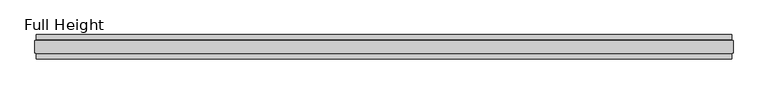
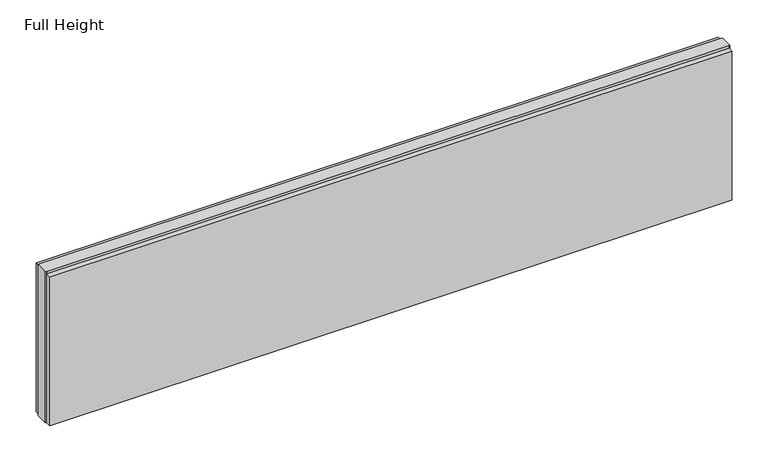
"""IFC4 building model written with IfcOpenShell, lengths in millimetres: plate geometry, Full Height."""

from ifc_helpers import new_model, si_unit, origin, origin_with_axes, place, context, project, spatial, polyline, outline, extrude, source, transform, mapped, element, save


def full_height_50aecd55(model_context):
    return source(origin(), model_context, "Body", "SweptSolid", [
        extrude(outline(polyline([(1409.8875405, 28.956), (-1409.8875405, 28.956), (-1409.8875405, 49.53), (1409.8875405, 49.53), (1409.8875405, 28.956)])), origin_with_axes(), (0.0, 0.0, 1.0), 651.256),
        extrude(outline(polyline([(1409.8875405, -28.956), (1409.8875405, -49.53), (-1409.8875405, -49.53), (-1409.8875405, -28.956), (1409.8875405, -28.956)])), origin_with_axes(), (0.0, 0.0, 1.0), 651.256),
        extrude(outline(polyline([(1409.8875405, -25.146), (1409.8875405, -26.67), (-1409.8875405, -26.67), (-1409.8875405, -25.146), (-1414.4595405, -25.146), (-1414.4595405, 25.146), (-1409.8875405, 25.146), (-1409.8875405, 26.67), (1409.8875405, 26.67), (1409.8875405, 25.146), (1414.4595405, 25.146), (1414.4595405, -25.146), (1409.8875405, -25.146)])), origin_with_axes(), (0.0, 0.0, 1.0), 660.4),
    ])


if __name__ == "__main__":
    model = new_model("IFC4")
    model_context = context("Model", 3, world=origin())
    ifc_project = project(units=[si_unit("LENGTHUNIT", "METRE", prefix="MILLI")], contexts=[model_context])
    site = spatial("IfcSite", under=ifc_project)
    building = spatial("IfcBuilding", under=site)
    placement = place(None, origin())
    full_height_shape = full_height_50aecd55(model_context)
    element("IfcPlate", 1, ObjectType="Full Height", at=placement, inside=building, context=model_context, shape_type="MappedRepresentation", body=[
        mapped(full_height_shape, transform((0.0, 0.0, 0.0), x_axis=(1.0, 0.0, 0.0), y_axis=(0.0, 1.0, 0.0), z_axis=(0.0, 0.0, 1.0))),
    ])
    save(model, "model.ifc")
